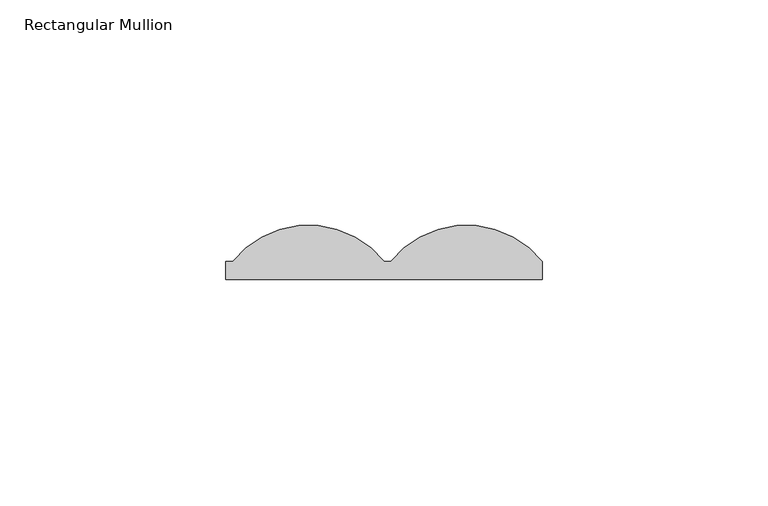
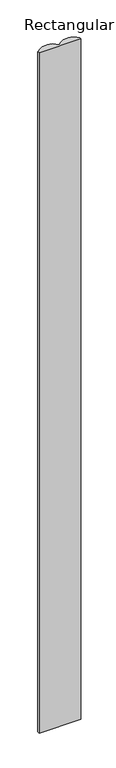
"""IFC4 building model written with IfcOpenShell, lengths in millimetres: member geometry, Rectangular Mullion."""

from ifc_helpers import new_model, si_unit, point, frame, frame_2d, origin, place, context, project, spatial, polyline, circle_curve, trimmed, segment, composite_curve, outline, extrude, source, transform, mapped, element, save


def rectangular_mullion_58de9b40(model_context):
    return source(origin(), model_context, "Body", "SweptSolid", [
        extrude(outline(composite_curve([segment(polyline([(0.0, 3.9994695), (1.532743, 3.9994695)]), True, "CONTINUOUS"), segment(trimmed(circle_curve(frame_2d((18.2663715, -9.5)), 21.5), [point((1.532743, 3.9994695))], [point((35.0, 3.9994695))], False, "CARTESIAN"), True, "CONTINUOUS"), segment(polyline([(35.0, 3.9994695), (35.0, 0.0), (-35.0, 0.0), (-35.0, 3.9994695), (-33.467257, 3.9994695)]), True, "CONTINUOUS"), segment(trimmed(circle_curve(frame_2d((-16.7336285, -9.5)), 21.5), [point((-33.467257, 3.9994695))], [point((0.0, 3.9994695))], False, "CARTESIAN"), True, "CONTINUOUS")], self_intersect=False)), frame((0.0, 0.0, -1200.0), z_axis=(0.0, 0.0, 1.0), x_axis=(1.0, 0.0, 0.0)), (0.0, 0.0, 1.0), 1200.0),
    ])


if __name__ == "__main__":
    model = new_model("IFC4")
    model_context = context("Model", 3, world=origin())
    ifc_project = project(units=[si_unit("LENGTHUNIT", "METRE", prefix="MILLI")], contexts=[model_context])
    site = spatial("IfcSite", under=ifc_project)
    building = spatial("IfcBuilding", under=site)
    placement = place(None, origin())
    rectangular_mullion_shape = rectangular_mullion_58de9b40(model_context)
    element("IfcMember", 1, ObjectType="Rectangular Mullion", at=placement, inside=building, context=model_context, shape_type="MappedRepresentation", body=[
        mapped(rectangular_mullion_shape, transform((0.0, 0.0, 0.0), x_axis=(1.0, 0.0, 0.0), y_axis=(0.0, 1.0, 0.0), z_axis=(0.0, 0.0, 1.0))),
    ])
    save(model, "model.ifc")
